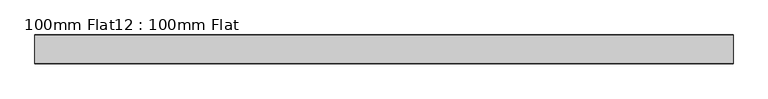
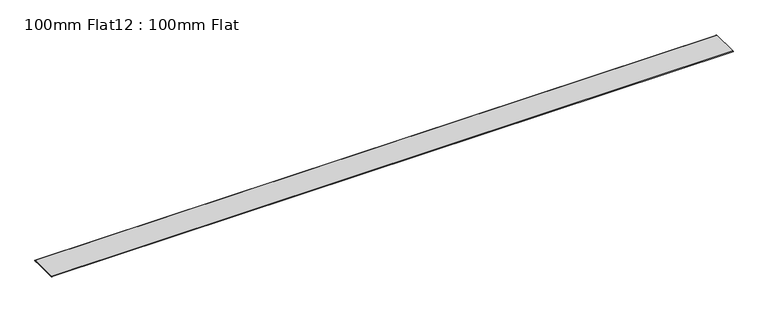
"""IFC4 building model written with IfcOpenShell, lengths in millimetres: proxy geometry, 100mm Flat12 : 100mm Flat."""

import ifcopenshell
import ifcopenshell.guid

model = None  # the IFC model being written
_history = None  # IfcOwnerHistory: only IFC2X3 demands one
_inside = {}  # id of a spatial element -> (the spatial element, [elements in it])
_under = {}  # id of a project, library or spatial element -> (it, [spatial elements below it])
_declared = {}  # id of a project -> (the project, [libraries it declares])
_typed = {}  # id of a type object -> (the type object, [elements of that type])
_made_of = {}  # id of a material, layer set ... -> (it, [elements and type objects made of it])


def new_model(schema):
    """Start an empty IFC model of exactly this schema.

    Asked for "IFC4X3", IfcOpenShell would pick the latest addendum, in which some entities
    have other attributes; the version numbers below select the first issue.
    IFC2X3 requires an IfcOwnerHistory on every rooted entity: one is made here for all.
    """
    global model, _history
    if schema == "IFC4X3":
        model = ifcopenshell.file(schema_version=(4, 3, 0, 0))
    else:
        model = ifcopenshell.file(schema=schema)
    _inside.clear()
    _under.clear()
    _declared.clear()
    _typed.clear()
    _made_of.clear()
    _history = None
    if model.schema == "IFC2X3":
        org = make("IfcOrganization", Name="unknown")
        user = make(
            "IfcPersonAndOrganization",
            ThePerson=make("IfcPerson", FamilyName="unknown"),
            TheOrganization=org,
        )
        app = make(
            "IfcApplication",
            ApplicationDeveloper=org,
            Version="unknown",
            ApplicationFullName="unknown",
            ApplicationIdentifier="unknown",
        )
        _history = make(
            "IfcOwnerHistory",
            OwningUser=user,
            OwningApplication=app,
            ChangeAction="ADDED",
            CreationDate=0,
        )
    return model


def make(cls, **values):
    """One entity of the class cls with the attributes given. An attribute that is None is left unset."""
    return model.create_entity(
        cls, **{name: value for name, value in values.items() if value is not None}
    )


def rooted(cls, **values):
    """An entity with a GlobalId (a new one), such as an element, a storey or a relation."""
    return make(cls, GlobalId=ifcopenshell.guid.new(), OwnerHistory=_history, **values)


def si_unit(unit_type, name, prefix=None):
    """IfcSIUnit, for example si_unit("LENGTHUNIT", "METRE", prefix="MILLI")."""
    return make("IfcSIUnit", UnitType=unit_type, Prefix=prefix, Name=name)


def assignment(units):
    """IfcUnitAssignment: the units of a project."""
    return None if units is None else make("IfcUnitAssignment", Units=units)


def point(xyz):
    """IfcCartesianPoint."""
    return None if xyz is None else make("IfcCartesianPoint", Coordinates=xyz)


def direction(xyz):
    """IfcDirection."""
    return None if xyz is None else make("IfcDirection", DirectionRatios=xyz)


def frame(location, z_axis=None, x_axis=None):
    """IfcAxis2Placement3D, a coordinate frame: its origin and axes. An axis left out is left unset."""
    return make(
        "IfcAxis2Placement3D",
        Location=point(location),
        Axis=direction(z_axis),
        RefDirection=direction(x_axis),
    )


def frame_2d(location, x_axis=None):
    """IfcAxis2Placement2D, a coordinate frame in the plane: its origin and x axis."""
    return make(
        "IfcAxis2Placement2D", Location=point(location), RefDirection=direction(x_axis)
    )


def origin():
    """The frame at (0, 0, 0) with its axes left unset."""
    return frame((0.0, 0.0, 0.0))


def place(relative_to, where):
    """IfcLocalPlacement: puts the frame where relative to a parent placement (None: the world)."""
    return make(
        "IfcLocalPlacement", PlacementRelTo=relative_to, RelativePlacement=where
    )


def context(
    kind, dimensions, precision=None, world=None, true_north=None, identifier=None
):
    """IfcGeometricRepresentationContext, for example the 3D "Model" context."""
    return make(
        "IfcGeometricRepresentationContext",
        ContextIdentifier=identifier,
        ContextType=kind,
        CoordinateSpaceDimension=dimensions,
        Precision=precision,
        WorldCoordinateSystem=world,
        TrueNorth=true_north,
    )


def project(units=None, contexts=None):
    """IfcProject with its units and contexts."""
    return rooted(
        "IfcProject",
        Name="project",
        RepresentationContexts=contexts,
        UnitsInContext=assignment(units),
    )


def spatial(cls, under=None, at=None, **own):
    """A site, building, storey or space (cls), placed at a placement, below another one or the project."""
    s = rooted(cls, ObjectPlacement=at, **own)
    if under is not None:
        _under.setdefault(under.id(), (under, []))[1].append(s)
    return s


def polyline(points):
    """IfcPolyline through the points."""
    return make("IfcPolyline", Points=[point(p) for p in points])


def circle_curve(where, radius):
    """IfcCircle in the frame where."""
    return make("IfcCircle", Position=where, Radius=radius)


def trimmed(basis, trim1, trim2, sense, master):
    """IfcTrimmedCurve: the piece of a basis curve between two trims."""
    return make(
        "IfcTrimmedCurve",
        BasisCurve=basis,
        Trim1=trim1,
        Trim2=trim2,
        SenseAgreement=sense,
        MasterRepresentation=master,
    )


def segment(curve, same_sense, transition):
    """IfcCompositeCurveSegment."""
    return make(
        "IfcCompositeCurveSegment",
        Transition=transition,
        SameSense=same_sense,
        ParentCurve=curve,
    )


def composite_curve(segments, self_intersect=None):
    """IfcCompositeCurve: segments joined end to end."""
    return make("IfcCompositeCurve", Segments=segments, SelfIntersect=self_intersect)


def outline(outer, holes=None, kind="AREA"):
    """IfcArbitraryClosedProfileDef: a profile drawn as a closed curve; with holes, ...WithVoids."""
    if holes is None:
        return make("IfcArbitraryClosedProfileDef", ProfileType=kind, OuterCurve=outer)
    return make(
        "IfcArbitraryProfileDefWithVoids",
        ProfileType=kind,
        OuterCurve=outer,
        InnerCurves=holes,
    )


def extrude(swept, where, along, depth):
    """IfcExtrudedAreaSolid: the profile swept, set in the frame where, extruded along a direction by depth."""
    return make(
        "IfcExtrudedAreaSolid",
        SweptArea=swept,
        Position=where,
        ExtrudedDirection=direction(along),
        Depth=depth,
    )


def shape(context_of_items, identifier, shape_type, items):
    """IfcShapeRepresentation: the items that make up one representation, for example the "Body"."""
    return make(
        "IfcShapeRepresentation",
        ContextOfItems=context_of_items,
        RepresentationIdentifier=identifier,
        RepresentationType=shape_type,
        Items=items,
    )


def source(mapping_origin, context_of_items, identifier, shape_type, items):
    """IfcRepresentationMap: a shape defined once, which mapped items show again and again."""
    return make(
        "IfcRepresentationMap",
        MappingOrigin=mapping_origin,
        MappedRepresentation=shape(context_of_items, identifier, shape_type, items),
    )


def transform(
    local_origin,
    x_axis=None,
    y_axis=None,
    z_axis=None,
    scale=None,
    scale2=None,
    scale3=None,
    uniform=True,
):
    """IfcCartesianTransformationOperator3D, or its non-uniform kind. x_axis, y_axis, z_axis: its Axis1, 2, 3."""
    if uniform:
        return make(
            "IfcCartesianTransformationOperator3D",
            Axis1=direction(x_axis),
            Axis2=direction(y_axis),
            LocalOrigin=point(local_origin),
            Scale=scale,
            Axis3=direction(z_axis),
        )
    return make(
        "IfcCartesianTransformationOperator3DnonUniform",
        Axis1=direction(x_axis),
        Axis2=direction(y_axis),
        LocalOrigin=point(local_origin),
        Scale=scale,
        Axis3=direction(z_axis),
        Scale2=scale2,
        Scale3=scale3,
    )


def mapped(mapping_source, mapping_target):
    """IfcMappedItem: shows the shape of a source again, moved by a transform."""
    return make(
        "IfcMappedItem", MappingSource=mapping_source, MappingTarget=mapping_target
    )


def made_of(thing, what):
    """Note that an element or type object is made of a material, layer set ...; save() writes the relation."""
    if what is not None:
        _made_of.setdefault(what.id(), (what, []))[1].append(thing)
    return thing


def element(
    cls,
    number,
    at=None,
    inside=None,
    cuts=None,
    type_object=None,
    material=None,
    context=None,
    identifier="Body",
    shape_type=None,
    held_by="IfcProductDefinitionShape",
    body=None,
    shapes=None,
    **own,
):
    """One element of the class cls, such as IfcWall. Its Tag is "e" and its number.

    at: its placement. inside: the storey or other place that contains it. cuts: it is an
    opening in that element (IfcRelVoidsElement). A single representation is given by context,
    identifier, shape_type and body (its items); several are given by shapes. held_by: the class
    of the entity that holds the representations. save() writes the other relations.
    """
    e = rooted(cls, Tag="e%d" % number, ObjectPlacement=at, **own)
    if body is not None:
        shapes = [shape(context, identifier, shape_type, body)]
    if shapes is not None:
        e.Representation = make(held_by, Representations=shapes)
    if inside is not None:
        _inside.setdefault(inside.id(), (inside, []))[1].append(e)
    if cuts is not None:
        rooted(
            "IfcRelVoidsElement", RelatingBuildingElement=cuts, RelatedOpeningElement=e
        )
    if type_object is not None:
        _typed.setdefault(type_object.id(), (type_object, []))[1].append(e)
    return made_of(e, material)


def aggregate(whole, parts):
    """IfcRelAggregates: a whole, such as a stair, and the parts it consists of."""
    return rooted("IfcRelAggregates", RelatingObject=whole, RelatedObjects=parts)


def save(model, path):
    """Write the relations noted so far, then the file.

    IfcRelAggregates (storeys below a building ...), IfcRelContainedInSpatialStructure (elements
    in a storey), IfcRelDefinesByType, IfcRelAssociatesMaterial and IfcRelDeclares: one each for
    every whole, place, type object, material and project.
    """
    for whole, parts in _under.values():
        aggregate(whole, parts)
    for where, things in _inside.values():
        rooted(
            "IfcRelContainedInSpatialStructure",
            RelatedElements=things,
            RelatingStructure=where,
        )
    for kind, things in _typed.values():
        rooted("IfcRelDefinesByType", RelatedObjects=things, RelatingType=kind)
    for what, things in _made_of.values():
        rooted("IfcRelAssociatesMaterial", RelatedObjects=things, RelatingMaterial=what)
    for by, libraries in _declared.values():
        rooted("IfcRelDeclares", RelatingContext=by, RelatedDefinitions=libraries)
    model.write(path)


def proxy_100mm_flat12_100mm_flat_ab51e283(model_context):
    return source(origin(), model_context, "Body", "SweptSolid", [
        extrude(outline(composite_curve([segment(trimmed(circle_curve(frame_2d((-32630.3963204, 1527.3887136)), 1.0), [point((-32630.3963204, 1528.3887136))], [point((-32630.3963204, 1526.3887136))], False, "CARTESIAN"), True, "CONTINUOUS"), segment(polyline([(-32630.3963204, 1526.3887136), (-32638.4029482, 1526.3887136), (-32638.4029482, 1527.3887136), (-32719.3963204, 1527.3887136), (-32719.3963204, 1526.3887136), (-32728.4029482, 1526.3887136)]), True, "CONTINUOUS"), segment(trimmed(circle_curve(frame_2d((-32728.4029482, 1527.3887136)), 1.0), [point((-32728.4029482, 1526.3887136))], [point((-32728.4029482, 1528.3887136))], False, "CARTESIAN"), True, "CONTINUOUS"), segment(polyline([(-32728.4029482, 1528.3887136), (-32630.3963204, 1528.3887136)]), True, "CONTINUOUS")], self_intersect=False)), frame((1587.2209787, 0.0, 0.0), z_axis=(1.0, 0.0, 0.0), x_axis=(0.0, 1.0, 0.0)), (0.0, 0.0, 1.0), 2409.6850155),
    ])


if __name__ == "__main__":
    model = new_model("IFC4")
    model_context = context("Model", 3, world=origin())
    ifc_project = project(units=[si_unit("LENGTHUNIT", "METRE", prefix="MILLI")], contexts=[model_context])
    site = spatial("IfcSite", under=ifc_project)
    building = spatial("IfcBuilding", under=site)
    placement = place(None, origin())
    proxy_100mm_flat12_100mm_flat_shape = proxy_100mm_flat12_100mm_flat_ab51e283(model_context)
    element("IfcBuildingElementProxy", 1, Name="100mm Flat12 : 100mm Flat", ObjectType="100mm Flat12 : 100mm Flat", at=placement, inside=building, context=model_context, shape_type="MappedRepresentation", body=[
        mapped(proxy_100mm_flat12_100mm_flat_shape, transform((0.0, 0.0, 0.0), x_axis=(1.0, 0.0, 0.0), y_axis=(0.0, 1.0, 0.0), z_axis=(0.0, 0.0, 1.0))),
    ])
    save(model, "model.ifc")
